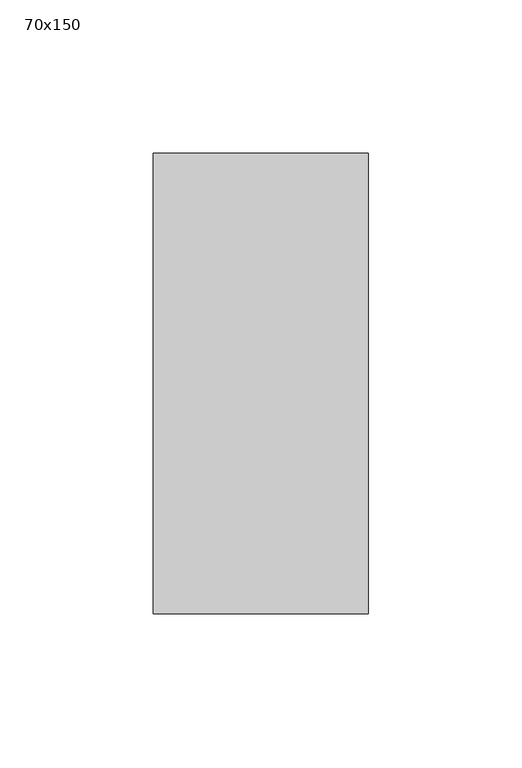
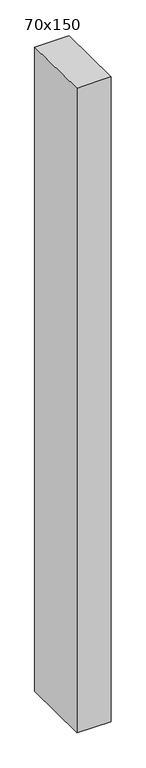
"""IFC4 building model written with IfcOpenShell, lengths in millimetres: member geometry, 70x150."""

from ifc_helpers import new_model, si_unit, frame, origin, place, context, project, spatial, polyline, outline, extrude, source, transform, mapped, element, save


def member_70x150_db9f7753(model_context):
    return source(origin(), model_context, "Body", "SweptSolid", [
        extrude(outline(polyline([(-75.0, 0.977983), (75.0, -0.977983), (75.0, -1397.7180115), (-75.0, -1397.3194831), (-75.0, 0.977983)])), frame((-70.0, 0.0, 0.0), z_axis=(1.0, 0.0, 0.0), x_axis=(0.0, 1.0, 0.0)), (0.0, 0.0, 1.0), 70.0),
    ])


if __name__ == "__main__":
    model = new_model("IFC4")
    model_context = context("Model", 3, world=origin())
    ifc_project = project(units=[si_unit("LENGTHUNIT", "METRE", prefix="MILLI")], contexts=[model_context])
    site = spatial("IfcSite", under=ifc_project)
    building = spatial("IfcBuilding", under=site)
    placement = place(None, origin())
    member_70x150_shape = member_70x150_db9f7753(model_context)
    element("IfcMember", 1, ObjectType="70x150", at=placement, inside=building, context=model_context, shape_type="MappedRepresentation", body=[
        mapped(member_70x150_shape, transform((0.0, 0.0, 0.0), x_axis=(1.0, 0.0, 0.0), y_axis=(0.0, 1.0, 0.0), z_axis=(0.0, 0.0, 1.0))),
    ])
    save(model, "model.ifc")
